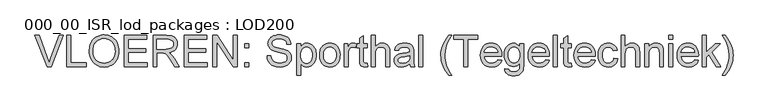
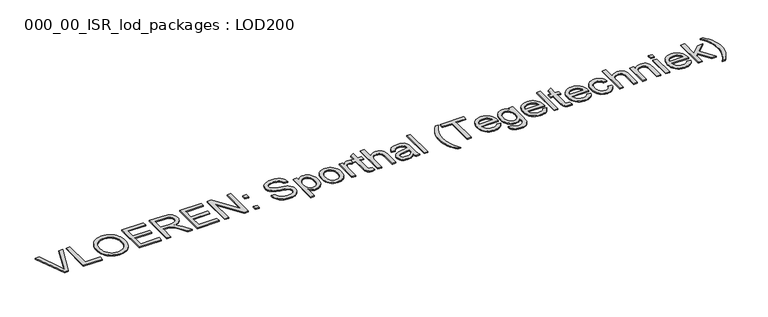
"""IFC4 building model written with IfcOpenShell, lengths in millimetres: proxy geometry, 000_00_ISR_lod_packages : LOD200."""

from ifc_helpers import new_model, si_unit, origin, origin_with_axes, place, context, project, spatial, polyline, outline, extrude, source, transform, mapped, element, save


def proxy_000_00_isr_lod_packages_lod200_e252f841(model_context):
    return source(origin(), model_context, "Body", "SweptSolid", [
        extrude(outline(polyline([(823.5806792, 500.0), (505.4645712, 1299.3886983), (612.4140357, 1299.3886983), (825.3371485, 723.4619286), (868.4682281, 593.6783631), (911.013818, 723.4619286), (1124.5224206, 1299.3886983), (1231.4718851, 1299.3886983), (926.8220418, 500.0), (823.5806792, 500.0)])), origin_with_axes(), (0.0, 0.0, 1.0), 25.0),
        extrude(outline(polyline([(1324.3695952, 500.0), (1324.3695952, 1299.3886983), (1424.2931825, 1299.3886983), (1424.2931825, 599.9235873), (1823.9875316, 599.9235873), (1823.9875316, 500.0), (1324.3695952, 500.0)])), origin_with_axes(), (0.0, 0.0, 1.0), 25.0),
        extrude(outline(polyline([(1898.9302221, 889.1555333), (1900.5952086, 937.3822036), (1905.5901682, 982.9192803), (1913.9151009, 1025.7667634), (1925.5700066, 1065.9246528), (1940.5548854, 1103.3929486), (1958.8697372, 1138.1716508), (1980.5145621, 1170.2607594), (2005.4893601, 1199.6602743), (2033.0958126, 1225.9615725), (2062.6356011, 1248.756031), (2094.1087257, 1268.0436497), (2127.5151862, 1283.8244286), (2162.8549827, 1296.0983678), (2200.1281153, 1304.8654672), (2239.3345839, 1310.1257269), (2280.4743884, 1311.8791468), (2334.2540633, 1308.5857668), (2385.3258479, 1298.7056269), (2433.6897424, 1282.2387272), (2479.3457467, 1259.1850675), (2521.013102, 1230.239917), (2557.4110493, 1196.0985449), (2588.5395887, 1156.760951), (2614.3987202, 1112.2271354), (2634.7200943, 1063.5095075), (2649.2353614, 1011.6204767), (2657.9445218, 956.560043), (2660.8475752, 898.3282064), (2657.7920505, 839.3279144), (2648.6254763, 783.5234208), (2633.3478526, 730.9147255), (2611.9591795, 681.5018285), (2584.9656616, 636.5898841), (2552.8735036, 597.4840466), (2515.6827055, 564.184316), (2473.3932674, 536.6906922), (2427.6701757, 515.1739432), (2380.1784171, 499.8048367), (2330.9179914, 490.5833729), (2279.8888987, 487.5095516), (2225.1700006, 490.906612), (2173.4273423, 501.0977933), (2124.6609236, 518.0830955), (2078.8707445, 541.8625185), (2037.2521801, 571.5151358), (2001.0006052, 606.1200207), (1970.1160199, 645.6771732), (1944.5984241, 690.1865934), (1924.6185857, 737.8613176), (1910.3472726, 786.9143824), (1901.7844847, 837.3457876), (1898.9302221, 889.1555333)]), holes=[polyline([(1998.8538094, 888.179717), (2003.848769, 821.9339892), (2018.8336478, 763.1288605), (2043.8084457, 711.7643309), (2078.7731629, 667.8404005), (2121.2760608, 632.6622236), (2168.8654011, 607.5349543), (2221.5411838, 592.4585927), (2279.3034089, 587.4331389), (2338.0536479, 592.5073835), (2391.3515135, 607.7301175), (2439.1970056, 633.1013409), (2481.5901242, 668.6210536), (2500.1839985, 689.9822819), (2516.2986896, 713.4720094), (2541.090522, 766.8369624), (2555.9656214, 828.7159123), (2560.9239879, 899.1088594), (2558.8015875, 944.8380499), (2552.4343863, 987.5666054), (2541.8223842, 1027.2945258), (2526.9655813, 1064.0218111), (2508.0286466, 1097.266652), (2485.176249, 1126.5472394), (2458.4083886, 1151.863573), (2427.7250654, 1173.2156531), (2394.0777002, 1190.1643621), (2358.417714, 1202.2705829), (2320.7451066, 1209.5343153), (2281.0598782, 1211.9555595), (2225.3041754, 1207.2899379), (2173.5737147, 1193.2930731), (2125.8684962, 1169.9649651), (2082.1885199, 1137.3056139), (2062.6569471, 1117.0833461), (2045.729584, 1093.7415157), (2031.4064307, 1067.2801226), (2019.687487, 1037.6991669), (2010.5727531, 1004.9986484), (2004.0622288, 969.1785673), (1998.8538094, 888.179717)])]), origin_with_axes(), (0.0, 0.0, 1.0), 25.0),
        extrude(outline(polyline([(2798.2425077, 500.0), (2798.2425077, 1299.3886983), (3372.8031347, 1299.3886983), (3372.8031347, 1199.465111), (2898.166095, 1199.465111), (2898.166095, 962.1465912), (3347.8222378, 962.1465912), (3347.8222378, 862.2230039), (2898.166095, 862.2230039), (2898.166095, 599.9235873), (3385.2935831, 599.9235873), (3385.2935831, 500.0), (2798.2425077, 500.0)])), origin_with_axes(), (0.0, 0.0, 1.0), 25.0),
        extrude(outline(polyline([(3535.178964, 500.0), (3535.178964, 1299.3886983), (3879.6421116, 1299.3886983), (3972.2226814, 1293.9973134), (4009.0536472, 1287.2580822), (4039.5784003, 1277.8231585), (4065.5717065, 1264.966779), (4088.8083317, 1247.9631803), (4109.2882759, 1226.8123624), (4127.0115391, 1201.5143252), (4141.3133465, 1173.4291129), (4151.5289232, 1143.9167692), (4157.6582693, 1112.9772942), (4159.7013846, 1080.6106879), (4156.3165219, 1039.5532178), (4146.1619337, 1001.8623139), (4129.23762, 967.5379762), (4105.5435809, 936.5802046), (4074.7748738, 909.9770132), (4036.626556, 888.716416), (3991.0986276, 872.7984129), (3938.1910885, 862.2230039), (3971.1248881, 840.7062549), (3994.9835962, 819.4822508), (4035.9190892, 770.9353907), (4075.9763476, 716.6312146), (4209.2728517, 500.0), (4093.1507142, 500.0), (3989.1286985, 665.6936047), (3913.9908448, 775.3753548), (3886.0581037, 807.3577335), (3861.1991839, 827.1911994), (3837.6576161, 838.8278086), (3813.6769309, 846.2196169), (3755.7134438, 849.7325555), (3635.1025513, 849.7325555), (3635.1025513, 500.0), (3535.178964, 500.0)]), holes=[polyline([(3635.1025513, 949.6561428), (3858.7596432, 949.6561428), (3922.99275, 953.1934768), (3972.8325666, 963.8054789), (4010.3527026, 982.1996158), (4025.270494, 994.5802849), (4037.6267677, 1009.0833544), (4054.2400399, 1041.602432), (4059.7777973, 1076.902586), (4057.1369945, 1102.4567749), (4049.2145861, 1125.6446093), (4036.010572, 1146.4660892), (4017.5249523, 1164.9212147), (3993.3308073, 1180.0341693), (3963.0012175, 1190.829137), (3926.5361828, 1197.3061175), (3883.9357033, 1199.465111), (3635.1025513, 1199.465111), (3635.1025513, 949.6561428)])]), origin_with_axes(), (0.0, 0.0, 1.0), 25.0),
        extrude(outline(polyline([(4334.5676624, 500.0), (4334.5676624, 1299.3886983), (4909.1282893, 1299.3886983), (4909.1282893, 1199.465111), (4434.4912497, 1199.465111), (4434.4912497, 962.1465912), (4884.1473925, 962.1465912), (4884.1473925, 862.2230039), (4434.4912497, 862.2230039), (4434.4912497, 599.9235873), (4921.6187377, 599.9235873), (4921.6187377, 500.0), (4334.5676624, 500.0)])), origin_with_axes(), (0.0, 0.0, 1.0), 25.0),
        extrude(outline(polyline([(5071.5041186, 500.0), (5071.5041186, 1299.3886983), (5178.4535832, 1299.3886983), (5596.1029519, 666.0839312), (5596.1029519, 1299.3886983), (5696.0265392, 1299.3886983), (5696.0265392, 500.0), (5589.0770747, 500.0), (5171.4277059, 1133.4999304), (5171.4277059, 500.0), (5071.5041186, 500.0)])), origin_with_axes(), (0.0, 0.0, 1.0), 25.0),
        extrude(outline(polyline([(5883.3832654, 500.0), (5883.3832654, 599.9235873), (5983.3068527, 599.9235873), (5983.3068527, 500.0), (5883.3832654, 500.0)])), origin_with_axes(), (0.0, 0.0, 1.0), 25.0),
        extrude(outline(polyline([(5883.3832654, 987.1274881), (5883.3832654, 1087.0510753), (5983.3068527, 1087.0510753), (5983.3068527, 987.1274881), (5883.3832654, 987.1274881)])), origin_with_axes(), (0.0, 0.0, 1.0), 25.0),
        extrude(outline(polyline([(6457.9438923, 774.7898651), (6557.8674796, 774.7898651), (6569.3333209, 719.3391048), (6578.5425871, 695.6938565), (6590.0694169, 674.7686961), (6604.4993002, 656.1428028), (6622.4177267, 639.3953559), (6643.8246964, 624.5263553), (6668.7202093, 611.5358011), (6696.1894376, 600.9908864), (6725.3175536, 593.4588044), (6788.5504487, 587.4331389), (6844.2207676, 591.99508), (6892.9627909, 605.6809034), (6932.4589549, 627.3440248), (6947.8707533, 640.7371033), (6960.391696, 655.8378603), (6977.0049682, 688.5521011), (6982.5427256, 722.8764388), (6978.3955064, 756.3225419), (6965.9538488, 785.2310993), (6955.4882192, 798.0569845), (6940.6802071, 809.8948558), (6898.0370356, 830.6065564), (6845.2697701, 846.2928031), (6752.5428279, 868.760973), (6657.0348093, 894.0102193), (6595.9243146, 918.0396953), (6569.2418382, 933.9576984), (6546.1820796, 951.6565662), (6526.7450391, 971.1362987), (6510.9307165, 992.396896), (6498.6781233, 1015.2187993), (6489.926271, 1039.38245), (6484.6751596, 1064.887848), (6482.9247892, 1091.7349935), (6485.0898815, 1121.4912913), (6491.5851587, 1150.259575), (6502.4106205, 1178.0398448), (6517.5662672, 1204.8321006), (6536.8813307, 1229.5446479), (6560.1850433, 1251.0857924), (6587.4774049, 1269.4555339), (6618.7584156, 1284.6538725), (6652.972974, 1296.56493), (6689.0659788, 1305.0728282), (6727.0374298, 1310.1775671), (6766.8873273, 1311.8791468), (6810.3599426, 1310.098282), (6851.197854, 1304.7556879), (6889.4010615, 1295.8513643), (6924.969565, 1283.3853113), (6957.2446885, 1267.4673082), (6985.5677561, 1248.2071343), (7009.9387677, 1225.6047897), (7030.3577234, 1199.6602743), (7046.6660531, 1171.1298458), (7058.7051864, 1140.7697617), (7066.4751236, 1108.5800221), (7069.9758645, 1074.5606269), (6970.0522772, 1074.5606269), (6963.3679357, 1106.445424), (6951.7069311, 1134.1830018), (6935.0692635, 1157.7733604), (6913.4549328, 1177.2164998), (6886.4614149, 1192.4148384), (6853.6861856, 1203.2707945), (6815.1292447, 1209.7843682), (6770.7905924, 1211.9555595), (6725.0370065, 1209.8087636), (6685.9433667, 1203.3683762), (6653.509673, 1192.6343971), (6627.7359254, 1177.6068263), (6608.0976227, 1159.5420274), (6594.0702637, 1139.6963638), (6585.6538483, 1118.0698354), (6582.8483764, 1094.6624423), (6584.8366021, 1074.5240338), (6590.8012791, 1056.2640716), (6600.7424075, 1039.8825558), (6614.6599872, 1025.3794863), (6636.5670628, 1011.6448721), (6671.0621684, 997.7638855), (6777.8164696, 969.562795), (6887.9861279, 942.776638), (6954.6343799, 919.4058381), (6985.2689124, 902.3412508), (7011.5976554, 883.1542632), (7033.6206091, 861.8448751), (7051.3377735, 838.4130867), (7064.9565095, 812.9808748), (7074.6841781, 785.6702166), (7080.5207792, 756.4811121), (7082.4663129, 725.4135612), (7080.2280343, 694.1569459), (7073.5131985, 663.8151584), (7062.3218055, 634.3881986), (7046.6538554, 605.8760666), (7026.7837963, 579.3826546), (7002.9860767, 556.0118546), (6975.2606966, 535.7636667), (6943.607656, 518.638091), (6908.9478814, 505.019355), (6872.2022995, 495.2916864), (6833.3709103, 489.4550853), (6792.4537139, 487.5095516), (6741.3392372, 489.6075566), (6694.5549453, 495.9015716), (6652.1008382, 506.3915966), (6613.9769158, 521.0776317), (6579.9514219, 539.9840722), (6549.7925999, 563.1353135), (6523.5004499, 590.5313556), (6501.074972, 622.1721985), (6483.0101731, 657.0332352), (6469.8000602, 694.0898585), (6461.4446332, 733.3420685), (6457.9438923, 774.7898651)])), origin_with_axes(), (0.0, 0.0, 1.0), 25.0),
        extrude(outline(polyline([(7219.8612454, 275.1719286), (7219.8612454, 1087.0510753), (7319.7848327, 1087.0510753), (7319.7848327, 989.0791206), (7352.3770966, 1037.406422), (7370.1369529, 1056.3921475), (7388.8726255, 1071.925923), (7409.1208134, 1084.0077483), (7431.4182154, 1092.6376236), (7455.7648316, 1097.8155487), (7482.1606621, 1099.5415238), (7517.0095011, 1097.1263785), (7549.7359396, 1089.8809426), (7580.3399778, 1077.8052161), (7608.8216155, 1060.899199), (7634.5587699, 1039.6020086), (7656.9293582, 1014.3527623), (7675.9333803, 985.1514601), (7691.5708362, 951.9981019), (7703.7807375, 916.0270742), (7712.5020955, 878.3727634), (7717.7349103, 839.0351695), (7719.4791819, 798.0142926), (7717.5092528, 754.1574495), (7711.5994654, 712.5571817), (7701.7498198, 673.2134889), (7687.960316, 636.1263714), (7670.4200183, 602.2655464), (7649.3179912, 572.6007314), (7624.6542347, 547.1319264), (7596.4287487, 525.8591315), (7566.0259727, 509.0811903), (7534.8303459, 497.0969466), (7502.8418684, 489.9064003), (7470.0605402, 487.5095516), (7446.4762804, 489.1135496), (7424.1239887, 493.9255436), (7403.003665, 501.9455337), (7383.1153094, 513.1735198), (7348.0103187, 542.2284496), (7319.7848327, 578.0653026), (7319.7848327, 275.1719286), (7219.8612454, 275.1719286)]), holes=[polyline([(7319.7848327, 788.8416195), (7322.4866241, 740.685086), (7330.5919981, 699.2616848), (7344.1009547, 664.571416), (7363.013494, 636.6142795), (7385.7805077, 615.0975305), (7410.8528873, 599.728424), (7438.2306328, 590.5069602), (7467.9137444, 587.4331389), (7498.0237755, 590.6167395), (7525.9016269, 600.1675414), (7551.5472986, 616.0855445), (7574.9607905, 638.3707488), (7594.4710173, 667.3402947), (7608.4068936, 703.3113224), (7616.7684194, 746.2838319), (7619.5555946, 796.2578233), (7616.8355067, 843.9996349), (7608.6752431, 885.3498498), (7595.0748036, 920.3084681), (7576.0341884, 948.8754898), (7553.2122851, 971.0753102), (7528.2679814, 986.9323248), (7501.2012773, 996.4465335), (7472.0121727, 999.6179365), (7442.914551, 996.2452714), (7415.5368054, 986.1272764), (7389.878936, 969.2639512), (7365.9409429, 945.6552961), (7345.7476447, 915.6184511), (7331.3238603, 879.4705567), (7322.6695896, 837.2116129), (7319.7848327, 788.8416195)])]), origin_with_axes(), (0.0, 0.0, 1.0), 25.0),
        extrude(outline(polyline([(7806.9123208, 793.5255377), (7812.3159034, 869.5538238), (7819.0703818, 903.6250591), (7828.5266514, 935.0676894), (7840.6847124, 963.8817146), (7855.5445647, 990.0671346), (7873.1062084, 1013.6239495), (7893.3696434, 1034.5521594), (7931.4508738, 1062.9850063), (7973.4841601, 1083.2941827), (8019.4695024, 1095.4796885), (8069.4069007, 1099.5415238), (8124.5344218, 1094.595355), (8174.3803372, 1079.7568486), (8218.9446471, 1055.0260047), (8258.2273513, 1020.4028233), (8290.289015, 977.0582838), (8313.1902034, 926.1633658), (8326.9309164, 867.7180694), (8331.5111541, 801.7223944), (8329.4863353, 748.2354645), (8323.4118789, 700.7742001), (8313.287785, 659.3386012), (8299.1140535, 623.9286678), (8281.0675511, 593.3429262), (8259.3251446, 566.3799026), (8233.8868339, 543.0395969), (8204.752619, 523.3220091), (8173.0568864, 507.654059), (8139.9340225, 496.462666), (8105.3840272, 489.7478302), (8069.4069007, 487.5095516), (8013.4743312, 492.4374238), (7963.164903, 507.2210405), (7918.4786161, 531.8604016), (7879.4154705, 566.3555072), (7847.6953425, 610.1208674), (7825.0381082, 662.5709926), (7811.4437676, 723.7058827), (7806.9123208, 793.5255377)]), holes=[polyline([(7906.8359081, 793.7207009), (7909.7267638, 745.253126), (7918.399331, 703.286927), (7932.8536097, 667.822104), (7953.0895998, 638.858657), (7977.7045656, 616.3599928), (8005.2957709, 600.2895184), (8035.863216, 590.6472338), (8069.4069007, 587.4331389), (8102.7798175, 590.6655303), (8133.2252855, 600.3627046), (8160.7433047, 616.5246618), (8185.333875, 639.1514018), (8205.5698652, 668.4014949), (8220.0241438, 704.4335111), (8228.696711, 747.2474505), (8231.5875668, 796.843313), (8228.6784145, 843.7739774), (8219.9509576, 884.642383), (8205.4051962, 919.44853), (8185.0411301, 948.1924184), (8160.359077, 970.6910825), (8132.8593544, 986.7615569), (8102.5419623, 996.4038416), (8069.4069007, 999.6179365), (8035.863216, 996.4160393), (8005.2957709, 986.8103478), (7977.7045656, 970.8008619), (7953.0895998, 948.3875817), (7932.8536097, 919.5095186), (7918.399331, 884.1056841), (7909.7267638, 842.1760782), (7906.8359081, 793.7207009)])]), origin_with_axes(), (0.0, 0.0, 1.0), 25.0),
        extrude(outline(polyline([(8443.9251898, 500.0), (8443.9251898, 1087.0510753), (8531.3583287, 1087.0510753), (8531.3583287, 1000.2034262), (8563.6578476, 1050.5555464), (8578.8561862, 1067.973867), (8593.4202442, 1080.2203614), (8623.2802224, 1094.7112332), (8655.8724863, 1099.5415238), (8680.6582198, 1097.6142866), (8705.6391166, 1091.8325751), (8730.8151767, 1082.1963893), (8756.1864001, 1068.7057292), (8722.8134832, 979.1257945), (8687.6840971, 994.494901), (8652.5547109, 999.6179365), (8622.7191281, 994.6900642), (8596.0549482, 979.9064476), (8574.5138037, 956.3892752), (8560.0473274, 925.2607358), (8547.8984146, 869.4440444), (8543.8487771, 808.5531084), (8543.8487771, 500.0), (8443.9251898, 500.0)])), origin_with_axes(), (0.0, 0.0, 1.0), 25.0),
        extrude(outline(polyline([(9030.9762651, 583.3347105), (9043.4667135, 497.0725512), (9003.8973633, 489.9003015), (8968.7191863, 487.5095516), (8920.757816, 491.6567708), (8884.9941493, 504.0984284), (8859.7205076, 523.2732183), (8843.2292124, 547.6198346), (8834.154121, 589.4335623), (8831.1290905, 661.0096866), (8831.1290905, 987.1274881), (8756.1864001, 987.1274881), (8756.1864001, 1087.0510753), (8831.1290905, 1087.0510753), (8831.1290905, 1229.7154158), (8931.0526778, 1288.459556), (8931.0526778, 1087.0510753), (9030.9762651, 1087.0510753), (9030.9762651, 987.1274881), (8931.0526778, 987.1274881), (8931.0526778, 663.9371354), (8932.3700298, 631.0521267), (8936.3220857, 612.4140357), (8943.2259859, 602.0947785), (8953.3988707, 594.1662712), (8967.8165563, 589.116422), (8987.4548589, 587.4331389), (9030.9762651, 583.3347105)])), origin_with_axes(), (0.0, 0.0, 1.0), 25.0),
        extrude(outline(polyline([(9130.8998524, 500.0), (9130.8998524, 1299.3886983), (9230.8234397, 1299.3886983), (9230.8234397, 1005.4728342), (9267.5263296, 1046.6278859), (9308.7423698, 1076.0243514), (9354.4715604, 1093.6622307), (9404.7139012, 1099.5415238), (9435.9522199, 1097.9375257), (9465.0681382, 1093.1255317), (9492.0616561, 1085.1055416), (9516.9327736, 1073.8775555), (9539.0472101, 1059.8197022), (9557.770685, 1043.3101105), (9573.1031984, 1024.3487804), (9585.0447501, 1002.9357118), (9594.0100622, 977.747454), (9600.4138566, 947.4605562), (9605.5368921, 871.5908402), (9605.5368921, 500.0), (9505.6133048, 500.0), (9505.6133048, 861.2471877), (9503.6250791, 894.9860356), (9497.6604021, 923.7970113), (9487.7192737, 947.6801148), (9473.801694, 966.6353461), (9456.2370009, 981.0652294), (9435.3545324, 991.3722889), (9411.1542886, 997.5565246), (9383.6362695, 999.6179365), (9341.4078199, 994.0557837), (9301.7652834, 977.3693252), (9283.968834, 965.2570056), (9268.9290655, 951.1686581), (9256.6459781, 935.1042825), (9247.1195716, 917.063879), (9234.8974727, 871.7372127), (9230.8234397, 811.8708838), (9230.8234397, 500.0), (9130.8998524, 500.0)])), origin_with_axes(), (0.0, 0.0, 1.0), 25.0),
        extrude(outline(polyline([(10117.6452769, 574.9426905), (10069.9034653, 534.0071974), (10045.5019594, 518.8454519), (10020.7467201, 507.2210405), (9969.0528526, 492.4374238), (9913.699674, 487.5095516), (9869.2085503, 490.4735935), (9830.1941956, 499.3657194), (9796.6566098, 514.1859292), (9768.5957928, 534.9342229), (9746.4386643, 560.2932485), (9730.612144, 588.9456541), (9721.1162318, 620.8914397), (9717.9509278, 656.1306051), (9722.7324275, 697.5540063), (9737.0769269, 735.171724), (9759.2035611, 767.3736613), (9787.3314654, 792.5497214), (9820.387242, 811.5781389), (9857.2974928, 825.3371485), (9943.7548154, 840.3647192), (10045.9227802, 856.172943), (10117.0597872, 874.7134523), (10117.6452769, 896.9620636), (10115.9254007, 921.1867028), (10110.7657721, 941.5568677), (10102.1663912, 958.0725583), (10090.1272578, 970.7337745), (10069.3179756, 983.3705954), (10043.9711476, 992.396896), (10014.086774, 997.8126763), (9979.6648546, 999.6179365), (9920.1400614, 994.8120413), (9897.1107972, 988.8046723), (9878.5702878, 980.3943557), (9863.3353561, 968.9224155), (9850.2228248, 953.7301758), (9839.2326939, 934.8176365), (9830.3649635, 912.1847976), (9730.4413762, 924.675246), (9747.7865106, 979.3209578), (9759.660975, 1002.2526404), (9773.6700375, 1022.2568742), (9790.4174844, 1039.7361834), (9810.5071021, 1055.0930921), (9833.9388906, 1068.3276004), (9860.7128498, 1079.4397083), (9922.1160894, 1094.5160699), (9992.5456296, 1099.5415238), (10060.0965117, 1095.1015597), (10113.6444302, 1081.7816674), (10154.0188288, 1061.7530382), (10182.0491515, 1037.1868633), (10200.6384517, 1006.8145815), (10212.6897828, 969.3676317), (10216.3490939, 934.8237353), (10217.5688642, 881.9344928), (10217.5688642, 757.6154985), (10218.8374254, 649.3242866), (10222.6431089, 584.0177819), (10230.1568943, 541.1062609), (10242.549761, 500.0), (10142.6261738, 500.0), (10126.6227867, 534.7390596), (10117.6452769, 574.9426905)]), holes=[polyline([(10117.6452769, 774.7898651), (10050.5091167, 758.1521974), (9956.4404271, 744.1492338), (9904.6001871, 736.489076), (9870.4710127, 727.9506835), (9848.1004244, 716.8751687), (9831.535943, 701.6036439), (9821.289872, 683.3070886), (9817.874515, 663.1564824), (9819.7346648, 647.6288058), (9825.3151142, 633.4428766), (9834.6158631, 620.5986948), (9847.6369117, 609.0962603), (9864.2562827, 599.6186447), (9884.3519993, 592.8489192), (9934.9724689, 587.4331389), (9988.6423644, 593.4100136), (10013.1353531, 600.881107), (10036.0670357, 611.3406378), (10074.5141973, 637.7608636), (10101.2515634, 669.2065433), (10113.1077312, 701.6036439), (10117.0597872, 746.4911929), (10117.6452769, 774.7898651)])]), origin_with_axes(), (0.0, 0.0, 1.0), 25.0),
        extrude(outline(polyline([(10354.9637967, 500.0), (10354.9637967, 1299.3886983), (10454.887384, 1299.3886983), (10454.887384, 500.0), (10354.9637967, 500.0)])), origin_with_axes(), (0.0, 0.0, 1.0), 25.0),
        extrude(outline(polyline([(11116.8811499, 275.1719286), (11076.5433443, 327.365902), (11039.4501279, 383.8290716), (11005.6015006, 444.5614375), (10974.9974624, 509.5629996), (10949.6384368, 577.309045), (10931.5248471, 646.2748607), (10920.6566932, 716.4604468), (10917.0339753, 787.8658032), (10919.7418655, 850.6229879), (10927.865536, 912.0384251), (10941.4049869, 972.112115), (10960.3602182, 1030.8440575), (10989.1711939, 1098.1997764), (11024.8616744, 1165.4091228), (11067.4316598, 1232.4720968), (11116.8811499, 1299.3886983), (11191.8238403, 1299.3886983), (11133.0309093, 1204.3929833), (11098.3406405, 1141.1112974), (11066.4314481, 1065.9734437), (11042.1336226, 987.7129778), (11023.2515776, 887.7405997), (11016.9575626, 787.2803135), (11019.6898482, 723.2240734), (11027.8867049, 659.180031), (11041.5481329, 595.1481864), (11060.674132, 531.1285394), (11085.2647023, 467.1210901), (11115.3198438, 403.1258386), (11150.8395565, 339.1427847), (11191.8238403, 275.1719286), (11116.8811499, 275.1719286)])), origin_with_axes(), (0.0, 0.0, 1.0), 25.0),
        extrude(outline(polyline([(11504.0850506, 500.0), (11504.0850506, 1199.465111), (11241.785634, 1199.465111), (11241.785634, 1299.3886983), (11866.3080546, 1299.3886983), (11866.3080546, 1199.465111), (11604.0086379, 1199.465111), (11604.0086379, 500.0), (11504.0850506, 500.0)])), origin_with_axes(), (0.0, 0.0, 1.0), 25.0),
        extrude(outline(polyline([(12377.2454599, 674.8662778), (12475.2174146, 662.3758294), (12460.1959427, 623.1358171), (12439.9172606, 588.5553276), (12414.3813683, 558.6343609), (12383.5882657, 533.3729168), (12347.8550932, 513.3076945), (12307.4989911, 498.9753929), (12262.5199594, 490.3760119), (12212.917998, 487.5095516), (12150.9170709, 492.4557204), (12095.6736717, 507.2942267), (12047.1878002, 532.0250706), (12005.4594564, 566.6482521), (11971.903574, 610.2001525), (11947.9350866, 661.7171534), (11933.5539941, 721.1992546), (11928.7602966, 788.6464563), (11933.6027849, 858.3807273), (11948.1302498, 919.8449554), (11972.3426913, 973.0391405), (11988.0807783, 996.5349669), (12006.2401094, 1017.9632826), (12047.8586738, 1053.6537631), (12095.2345543, 1079.1469635), (12148.3677509, 1094.4428837), (12207.2582635, 1099.5415238), (12264.2520333, 1094.4550814), (12315.7934295, 1079.1957543), (12361.8824523, 1053.7635424), (12402.5191016, 1018.1584458), (12435.6907563, 973.3318854), (12459.3847954, 920.2352819), (12473.6012189, 858.8686355), (12478.3400267, 789.231946), (12477.7545369, 762.2994166), (12028.6838839, 762.2994166), (12034.4716942, 722.4251238), (12045.9802275, 687.5030986), (12063.2094837, 657.5333411), (12086.1594629, 632.5158511), (12113.5616039, 612.7921645), (12144.1473455, 598.7038169), (12177.9166877, 590.2508084), (12214.8696305, 587.4331389), (12268.0516179, 592.653756), (12312.8415853, 608.3156073), (12332.0895614, 620.3059499), (12349.2395326, 635.3945091), (12364.2914987, 653.5812851), (12377.2454599, 674.8662778)]), holes=[polyline([(12028.6838839, 862.2230039), (12378.4164394, 862.2230039), (12373.2812062, 890.4972807), (12364.9013839, 915.0146648), (12353.2769725, 935.7751562), (12338.4079719, 952.7787549), (12311.1583022, 973.2708968), (12280.1517398, 987.9081411), (12245.3882848, 996.6904876), (12206.867937, 999.6179365), (12171.732452, 997.2820762), (12139.5122181, 990.2744956), (12110.2072354, 978.5951944), (12083.8175038, 962.2441729), (12061.6725731, 941.9776884), (12045.1019928, 918.5519988), (12034.1057631, 891.967104), (12028.6838839, 862.2230039)])]), origin_with_axes(), (0.0, 0.0, 1.0), 25.0),
        extrude(outline(polyline([(12553.2827172, 450.0382064), (12653.2063045, 437.5477579), (12657.4267099, 420.7149271), (12664.2330285, 406.3216369), (12673.6252602, 394.3678875), (12685.603405, 384.8536787), (12704.985556, 375.1199113), (12727.612296, 368.1672203), (12782.5995435, 362.6050675), (12813.8012691, 364.1785712), (12841.2461021, 368.8990825), (12864.9340423, 376.7666013), (12884.8650899, 387.7811276), (12901.4539667, 401.6377188), (12915.1153946, 418.0314323), (12925.8493737, 436.9622682), (12933.655904, 458.4302264), (12939.0716843, 501.4149336), (12940.4866179, 574.9426905), (12907.2356781, 542.1552634), (12870.130264, 518.7356726), (12829.1703756, 504.6839182), (12784.3560128, 500.0), (12729.5700274, 505.4523735), (12681.3342088, 521.8094939), (12659.6726121, 534.0773342), (12639.648557, 549.0713613), (12604.513072, 587.2379756), (12576.6352206, 633.0281547), (12556.7224696, 683.1607162), (12544.774819, 737.6356601), (12540.7922688, 796.4529865), (12542.5792323, 837.6019394), (12547.940123, 877.1285976), (12556.8749409, 915.0329614), (12569.3836858, 951.3150305), (12585.2772935, 984.7672324), (12604.3666996, 1014.1819945), (12626.6519039, 1039.5593167), (12652.1329066, 1060.899199), (12680.4010845, 1077.8052161), (12711.0478146, 1089.8809426), (12744.0730969, 1097.1263785), (12779.4769314, 1099.5415238), (12826.2063336, 1094.0769526), (12868.6177488, 1077.683239), (12906.7111769, 1050.3603831), (12940.4866179, 1012.1083849), (12940.4866179, 1087.0510753), (13040.4102052, 1087.0510753), (13040.4102052, 580.2120984), (13038.7025267, 516.704755), (13033.5794913, 463.1873308), (13025.0410988, 419.6598257), (13013.0873493, 386.1222399), (12997.4315969, 359.0738323), (12977.7871953, 335.0138621), (12954.1541448, 313.9423293), (12926.5324451, 295.8592338), (12895.2026436, 281.3439666), (12860.4452874, 270.9759186), (12822.2603765, 264.7550898), (12780.6479109, 262.6814802), (12731.6924278, 265.6028302), (12687.6770146, 274.3668802), (12648.6016714, 288.9736301), (12614.4663981, 309.4230801), (12586.8934893, 335.7396255), (12567.5052395, 367.9476616), (12556.3016488, 406.0471886), (12553.2827172, 450.0382064)]), holes=[polyline([(12640.7158561, 803.2837005), (12643.3810543, 753.8769024), (12651.376649, 711.6301562), (12664.7026401, 676.543462), (12683.3590276, 648.6168198), (12706.0406573, 627.3135306), (12731.4423749, 612.0968954), (12759.5641804, 602.9669143), (12790.4060738, 599.9235873), (12820.9430245, 602.9486178), (12848.9306553, 612.0237092), (12874.368966, 627.1488616), (12897.2579566, 648.3240749), (12916.170496, 675.9762688), (12929.6794526, 710.5323629), (12937.7848266, 751.9923572), (12940.4866179, 800.3562516), (12937.7055415, 846.7014262), (12929.3623123, 886.9843421), (12915.4569303, 921.2049993), (12895.9893955, 949.3633979), (12872.6063978, 971.3497585), (12846.9546273, 987.0543018), (12819.0340839, 996.4770278), (12788.8447677, 999.6179365), (12759.1616562, 996.5258186), (12731.7839106, 987.2494651), (12706.711531, 971.7888759), (12683.9445174, 950.144051), (12665.0319781, 922.412572), (12651.5230214, 888.6920206), (12643.4176474, 848.9823968), (12640.7158561, 803.2837005)])]), origin_with_axes(), (0.0, 0.0, 1.0), 25.0),
        extrude(outline(polyline([(13601.3094042, 674.8662778), (13699.281359, 662.3758294), (13684.2598871, 623.1358171), (13663.9812049, 588.5553276), (13638.4453126, 558.6343609), (13607.6522101, 533.3729168), (13571.9190376, 513.3076945), (13531.5629355, 498.9753929), (13486.5839037, 490.3760119), (13436.9819423, 487.5095516), (13374.9810153, 492.4557204), (13319.737616, 507.2942267), (13271.2517445, 532.0250706), (13229.5234007, 566.6482521), (13195.9675183, 610.2001525), (13171.9990309, 661.7171534), (13157.6179384, 721.1992546), (13152.8242409, 788.6464563), (13157.6667292, 858.3807273), (13172.1941941, 919.8449554), (13196.4066356, 973.0391405), (13212.1447226, 996.5349669), (13230.3040537, 1017.9632826), (13271.9226182, 1053.6537631), (13319.2984987, 1079.1469635), (13372.4316952, 1094.4428837), (13431.3222079, 1099.5415238), (13488.3159776, 1094.4550814), (13539.8573739, 1079.1957543), (13585.9463966, 1053.7635424), (13626.5830459, 1018.1584458), (13659.7547007, 973.3318854), (13683.4487398, 920.2352819), (13697.6651632, 858.8686355), (13702.4039711, 789.231946), (13701.8184813, 762.2994166), (13252.7478282, 762.2994166), (13258.5356386, 722.4251238), (13270.0441718, 687.5030986), (13287.2734281, 657.5333411), (13310.2234073, 632.5158511), (13337.6255482, 612.7921645), (13368.2112898, 598.7038169), (13401.980632, 590.2508084), (13438.9335749, 587.4331389), (13492.1155623, 592.653756), (13536.9055296, 608.3156073), (13556.1535058, 620.3059499), (13573.3034769, 635.3945091), (13588.3554431, 653.5812851), (13601.3094042, 674.8662778)]), holes=[polyline([(13252.7478282, 862.2230039), (13602.4803838, 862.2230039), (13597.3451506, 890.4972807), (13588.9653283, 915.0146648), (13577.3409168, 935.7751562), (13562.4719162, 952.7787549), (13535.2222465, 973.2708968), (13504.2156841, 987.9081411), (13469.4522291, 996.6904876), (13430.9318814, 999.6179365), (13395.7963964, 997.2820762), (13363.5761625, 990.2744956), (13334.2711798, 978.5951944), (13307.8814482, 962.2441729), (13285.7365174, 941.9776884), (13269.1659372, 918.5519988), (13258.1697075, 891.967104), (13252.7478282, 862.2230039)])]), origin_with_axes(), (0.0, 0.0, 1.0), 25.0),
        extrude(outline(polyline([(13802.3275583, 500.0), (13802.3275583, 1299.3886983), (13902.2511456, 1299.3886983), (13902.2511456, 500.0), (13802.3275583, 500.0)])), origin_with_axes(), (0.0, 0.0, 1.0), 25.0),
        extrude(outline(polyline([(14264.4741496, 583.3347105), (14276.964598, 497.0725512), (14237.3952477, 489.9003015), (14202.2170708, 487.5095516), (14154.2557005, 491.6567708), (14118.4920338, 504.0984284), (14093.2183921, 523.2732183), (14076.7270969, 547.6198346), (14067.6520055, 589.4335623), (14064.626975, 661.0096866), (14064.626975, 987.1274881), (13989.6842845, 987.1274881), (13989.6842845, 1087.0510753), (14064.626975, 1087.0510753), (14064.626975, 1229.7154158), (14164.5505623, 1288.459556), (14164.5505623, 1087.0510753), (14264.4741496, 1087.0510753), (14264.4741496, 987.1274881), (14164.5505623, 987.1274881), (14164.5505623, 663.9371354), (14165.8679143, 631.0521267), (14169.8199702, 612.4140357), (14176.7238704, 602.0947785), (14186.8967551, 594.1662712), (14201.3144407, 589.116422), (14220.9527434, 587.4331389), (14264.4741496, 583.3347105)])), origin_with_axes(), (0.0, 0.0, 1.0), 25.0),
        extrude(outline(polyline([(14775.4115549, 674.8662778), (14873.3835096, 662.3758294), (14858.3620377, 623.1358171), (14838.0833556, 588.5553276), (14812.5474633, 558.6343609), (14781.7543607, 533.3729168), (14746.0211883, 513.3076945), (14705.6650861, 498.9753929), (14660.6860544, 490.3760119), (14611.084093, 487.5095516), (14549.083166, 492.4557204), (14493.8397667, 507.2942267), (14445.3538952, 532.0250706), (14403.6255514, 566.6482521), (14370.069669, 610.2001525), (14346.1011816, 661.7171534), (14331.7200891, 721.1992546), (14326.9263916, 788.6464563), (14331.7688799, 858.3807273), (14346.2963448, 919.8449554), (14370.5087863, 973.0391405), (14386.2468733, 996.5349669), (14404.4062044, 1017.9632826), (14446.0247689, 1053.6537631), (14493.4006494, 1079.1469635), (14546.5338459, 1094.4428837), (14605.4243586, 1099.5415238), (14662.4181283, 1094.4550814), (14713.9595245, 1079.1957543), (14760.0485473, 1053.7635424), (14800.6851966, 1018.1584458), (14833.8568514, 973.3318854), (14857.5508905, 920.2352819), (14871.7673139, 858.8686355), (14876.5061217, 789.231946), (14875.920632, 762.2994166), (14426.8499789, 762.2994166), (14432.6377893, 722.4251238), (14444.1463225, 687.5030986), (14461.3755788, 657.5333411), (14484.3255579, 632.5158511), (14511.7276989, 612.7921645), (14542.3134405, 598.7038169), (14576.0827827, 590.2508084), (14613.0357256, 587.4331389), (14666.2177129, 592.653756), (14711.0076803, 608.3156073), (14730.2556565, 620.3059499), (14747.4056276, 635.3945091), (14762.4575938, 653.5812851), (14775.4115549, 674.8662778)]), holes=[polyline([(14426.8499789, 862.2230039), (14776.5825345, 862.2230039), (14771.4473013, 890.4972807), (14763.0674789, 915.0146648), (14751.4430675, 935.7751562), (14736.5740669, 952.7787549), (14709.3243972, 973.2708968), (14678.3178348, 987.9081411), (14643.5543798, 996.6904876), (14605.034032, 999.6179365), (14569.898547, 997.2820762), (14537.6783132, 990.2744956), (14508.3733305, 978.5951944), (14481.9835989, 962.2441729), (14459.8386681, 941.9776884), (14443.2680879, 918.5519988), (14432.2718581, 891.967104), (14426.8499789, 862.2230039)])]), origin_with_axes(), (0.0, 0.0, 1.0), 25.0),
        extrude(outline(polyline([(15351.1431614, 712.337623), (15451.0667487, 699.8471746), (15440.1985948, 652.6969516), (15423.2071938, 610.9747067), (15400.0925456, 574.6804398), (15370.8546503, 543.8141511), (15336.7254758, 519.1808888), (15298.9369903, 501.5857015), (15257.4891937, 491.0285891), (15212.3820861, 487.5095516), (15156.3397372, 492.4191273), (15106.0912975, 507.1478543), (15061.636767, 531.6957326), (15022.9761457, 566.0627623), (14991.6829373, 609.602465), (14969.3306456, 661.6683625), (14955.9192706, 722.2604548), (14951.4488122, 791.3787419), (14953.3577528, 837.3213922), (14959.0845746, 880.3000006), (14968.6292776, 920.314567), (14981.9918618, 957.3650914), (14999.26381, 990.707514), (15020.536605, 1019.5977748), (15045.8102467, 1044.0358739), (15075.0847352, 1064.0218111), (15107.0366196, 1079.5616854), (15140.342449, 1090.6615956), (15175.0022236, 1097.3215417), (15211.0159433, 1099.5415238), (15255.3484967, 1096.4920979), (15295.4484471, 1087.3438202), (15331.3157943, 1072.0966908), (15362.9505384, 1050.7507096), (15389.8159804, 1023.7937849), (15411.3754214, 991.7138246), (15427.6288614, 954.5108288), (15438.5763003, 912.1847976), (15338.652713, 899.6943492), (15330.8522816, 923.0346549), (15320.5269255, 943.2889416), (15307.6766449, 960.4572093), (15292.3014396, 974.539458), (15274.7916362, 985.5112923), (15255.5375611, 993.3483169), (15234.5392145, 998.0505316), (15211.7965963, 999.6179365), (15177.8442885, 996.5319175), (15147.2219538, 987.2738605), (15119.9295922, 971.8437655), (15095.9672036, 950.2416326), (15076.4569768, 921.9673558), (15062.5211005, 886.5208294), (15054.1595748, 843.9020532), (15051.3723995, 794.1110274), (15054.0985862, 743.5698429), (15062.2771465, 700.4570598), (15075.9080802, 664.7726781), (15094.9913873, 636.5166979), (15118.4780655, 615.0426408), (15145.3191121, 599.7040286), (15175.5145272, 590.5008613), (15209.0643107, 587.4331389), (15236.1005206, 589.3481783), (15260.8069691, 595.0932967), (15283.1836562, 604.668494), (15303.2305819, 618.0737701), (15320.3866519, 635.4554977), (15334.0907719, 656.960049), (15344.3429417, 682.5874241), (15351.1431614, 712.337623)])), origin_with_axes(), (0.0, 0.0, 1.0), 25.0),
        extrude(outline(polyline([(15538.4998876, 500.0), (15538.4998876, 1299.3886983), (15638.4234749, 1299.3886983), (15638.4234749, 1005.4728342), (15675.1263648, 1046.6278859), (15716.342405, 1076.0243514), (15762.0715955, 1093.6622307), (15812.3139363, 1099.5415238), (15843.5522551, 1097.9375257), (15872.6681734, 1093.1255317), (15899.6616913, 1085.1055416), (15924.5328088, 1073.8775555), (15946.6472453, 1059.8197022), (15965.3707202, 1043.3101105), (15980.7032335, 1024.3487804), (15992.6447853, 1002.9357118), (16001.6100974, 977.747454), (16008.0138917, 947.4605562), (16013.1369272, 871.5908402), (16013.1369272, 500.0), (15913.2133399, 500.0), (15913.2133399, 861.2471877), (15911.2251142, 894.9860356), (15905.2604372, 923.7970113), (15895.3193088, 947.6801148), (15881.4017291, 966.6353461), (15863.837036, 981.0652294), (15842.9545676, 991.3722889), (15818.7543238, 997.5565246), (15791.2363046, 999.6179365), (15749.007855, 994.0557837), (15709.3653186, 977.3693252), (15691.5688691, 965.2570056), (15676.5291007, 951.1686581), (15664.2460132, 935.1042825), (15654.7196068, 917.063879), (15642.4975078, 871.7372127), (15638.4234749, 811.8708838), (15638.4234749, 500.0), (15538.4998876, 500.0)])), origin_with_axes(), (0.0, 0.0, 1.0), 25.0),
        extrude(outline(polyline([(16150.5318597, 500.0), (16150.5318597, 1087.0510753), (16250.455447, 1087.0510753), (16250.455447, 1005.0825076), (16266.9406433, 1027.2213395), (16285.1701113, 1046.4083272), (16305.1438508, 1062.6434706), (16326.8618619, 1075.9267697), (16350.3241446, 1086.2582246), (16375.530699, 1093.6378352), (16431.1766225, 1099.5415238), (16480.4309493, 1094.7844194), (16525.538057, 1080.5131063), (16563.1557746, 1058.5084491), (16589.9419316, 1030.5513126), (16608.1165098, 996.714883), (16619.8994914, 957.0723466), (16623.8515474, 919.161884), (16625.1688994, 860.4665346), (16625.1688994, 500.0), (16525.2453121, 500.0), (16525.2453121, 847.0002699), (16522.366654, 898.6697421), (16513.7306799, 935.4092251), (16497.8004791, 961.7318693), (16473.039141, 982.150825), (16441.3007164, 995.2511586), (16404.4392563, 999.6179365), (16374.0974688, 997.1661981), (16345.9146748, 989.8109828), (16319.8908743, 977.5522908), (16296.0260674, 960.3901219), (16276.088921, 936.3728437), (16261.8481021, 903.5488235), (16253.3036108, 861.9180613), (16250.455447, 811.4805573), (16250.455447, 500.0), (16150.5318597, 500.0)])), origin_with_axes(), (0.0, 0.0, 1.0), 25.0),
        extrude(outline(polyline([(16762.5638319, 500.0), (16762.5638319, 1087.0510753), (16862.4874192, 1087.0510753), (16862.4874192, 500.0), (16762.5638319, 500.0)])), origin_with_axes(), (0.0, 0.0, 1.0), 25.0),
        extrude(outline(polyline([(16762.5638319, 1199.465111), (16762.5638319, 1299.3886983), (16862.4874192, 1299.3886983), (16862.4874192, 1199.465111), (16762.5638319, 1199.465111)])), origin_with_axes(), (0.0, 0.0, 1.0), 25.0),
        extrude(outline(polyline([(17423.3866182, 674.8662778), (17521.3585729, 662.3758294), (17506.337101, 623.1358171), (17486.0584189, 588.5553276), (17460.5225266, 558.6343609), (17429.729424, 533.3729168), (17393.9962515, 513.3076945), (17353.6401494, 498.9753929), (17308.6611176, 490.3760119), (17259.0591563, 487.5095516), (17197.0582292, 492.4557204), (17141.81483, 507.2942267), (17093.3289584, 532.0250706), (17051.6006147, 566.6482521), (17018.0447323, 610.2001525), (16994.0762448, 661.7171534), (16979.6951524, 721.1992546), (16974.9014549, 788.6464563), (16979.7439432, 858.3807273), (16994.2714081, 919.8449554), (17018.4838496, 973.0391405), (17034.2219366, 996.5349669), (17052.3812677, 1017.9632826), (17093.9998321, 1053.6537631), (17141.3757126, 1079.1469635), (17194.5089092, 1094.4428837), (17253.3994218, 1099.5415238), (17310.3931915, 1094.4550814), (17361.9345878, 1079.1957543), (17408.0236106, 1053.7635424), (17448.6602599, 1018.1584458), (17481.8319146, 973.3318854), (17505.5259537, 920.2352819), (17519.7423772, 858.8686355), (17524.481185, 789.231946), (17523.8956952, 762.2994166), (17074.8250422, 762.2994166), (17080.6128525, 722.4251238), (17092.1213858, 687.5030986), (17109.350642, 657.5333411), (17132.3006212, 632.5158511), (17159.7027622, 612.7921645), (17190.2885038, 598.7038169), (17224.057846, 590.2508084), (17261.0107888, 587.4331389), (17314.1927762, 592.653756), (17358.9827435, 608.3156073), (17378.2307197, 620.3059499), (17395.3806909, 635.3945091), (17410.432657, 653.5812851), (17423.3866182, 674.8662778)]), holes=[polyline([(17074.8250422, 862.2230039), (17424.5575977, 862.2230039), (17419.4223645, 890.4972807), (17411.0425422, 915.0146648), (17399.4181307, 935.7751562), (17384.5491301, 952.7787549), (17357.2994605, 973.2708968), (17326.2928981, 987.9081411), (17291.529443, 996.6904876), (17253.0090953, 999.6179365), (17217.8736103, 997.2820762), (17185.6533764, 990.2744956), (17156.3483937, 978.5951944), (17129.9586621, 962.2441729), (17107.8137314, 941.9776884), (17091.2431511, 918.5519988), (17080.2469214, 891.967104), (17074.8250422, 862.2230039)])]), origin_with_axes(), (0.0, 0.0, 1.0), 25.0),
        extrude(outline(polyline([(17624.4047723, 500.0), (17624.4047723, 1299.3886983), (17724.3283596, 1299.3886983), (17724.3283596, 869.8343709), (17948.375778, 1087.0510753), (18086.5513635, 1087.0510753), (17859.7716596, 867.1020853), (18099.0418119, 500.0), (17982.3341846, 500.0), (17788.1467444, 797.6239661), (17724.3283596, 735.7572138), (17724.3283596, 500.0), (17624.4047723, 500.0)])), origin_with_axes(), (0.0, 0.0, 1.0), 25.0),
        extrude(outline(polyline([(18211.4558476, 275.1719286), (18136.5131572, 275.1719286), (18177.497441, 339.1427847), (18213.0171537, 403.1258386), (18243.0722952, 467.1210901), (18267.6628655, 531.1285394), (18286.7888646, 595.1481864), (18300.4502926, 659.180031), (18308.6471493, 723.2240734), (18311.3794349, 787.2803135), (18305.0854199, 887.0087375), (18286.2033749, 985.9565085), (18262.3446668, 1064.3633468), (18230.5818468, 1139.5499913), (18195.7452055, 1203.5147486), (18136.5131572, 1299.3886983), (18211.4558476, 1299.3886983), (18260.9053377, 1232.4720968), (18303.475323, 1165.4091228), (18339.1658036, 1098.1997764), (18367.9767793, 1030.8440575), (18386.9320106, 972.112115), (18400.4714615, 912.0384251), (18408.595132, 850.6229879), (18411.3030222, 787.8658032), (18407.6620077, 716.4604468), (18396.7389642, 646.2748607), (18378.5338917, 577.309045), (18353.0467902, 509.5629996), (18322.3512693, 444.5614375), (18288.5209385, 383.8290716), (18251.555798, 327.365902), (18211.4558476, 275.1719286)])), origin_with_axes(), (0.0, 0.0, 1.0), 25.0),
    ])


if __name__ == "__main__":
    model = new_model("IFC4")
    model_context = context("Model", 3, world=origin())
    ifc_project = project(units=[si_unit("LENGTHUNIT", "METRE", prefix="MILLI")], contexts=[model_context])
    site = spatial("IfcSite", under=ifc_project)
    building = spatial("IfcBuilding", under=site)
    placement = place(None, origin())
    proxy_000_00_isr_lod_packages_lod200_shape = proxy_000_00_isr_lod_packages_lod200_e252f841(model_context)
    element("IfcBuildingElementProxy", 1, Name="000_00_ISR_lod_packages : LOD200", ObjectType="000_00_ISR_lod_packages : LOD200", at=placement, inside=building, context=model_context, shape_type="MappedRepresentation", body=[
        mapped(proxy_000_00_isr_lod_packages_lod200_shape, transform((0.0, 0.0, 0.0), x_axis=(1.0, 0.0, 0.0), y_axis=(0.0, 1.0, 0.0), z_axis=(0.0, 0.0, 1.0))),
    ])
    save(model, "model.ifc")
